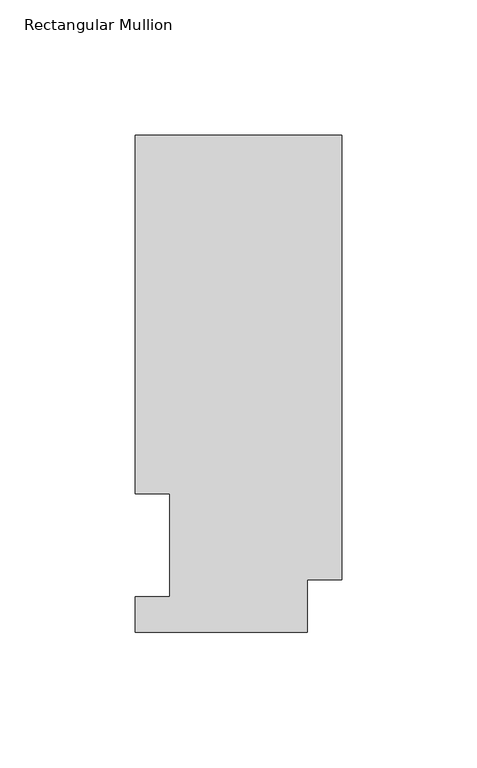
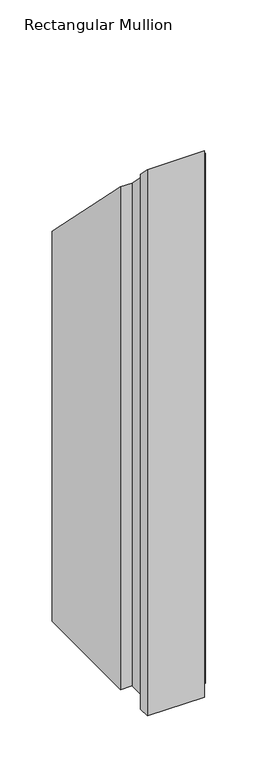
"""IFC4 building model written with IfcOpenShell, lengths in millimetres: member geometry, Rectangular Mullion."""

from ifc_helpers import new_model, si_unit, origin, place, context, project, spatial, faceted_brep, source, transform, mapped, element, save


def rectangular_mullion_c23bdae8(model_context):
    return source(origin(), model_context, "Body", "Brep", [
        faceted_brep([(-76.2000004, 183.6764448, -641.3500001), (0.0, 183.6764448, -641.3500001), (0.0, 19.5670448, -641.3500001), (-12.7, 19.5670448, -641.3500001), (-12.7, 0.0344448, -641.3500001), (-76.2, 0.0344446, -641.3500001), (-76.2, 13.2170446, -641.3500001), (-63.5127001, 13.2170446, -641.3500001), (-63.5127002, 51.2960938, -641.3500001), (-76.2000004, 51.2960938, -641.3500001), (-76.2000004, 51.2960938, -51.2960938), (-76.2000004, 183.6764448, -183.6764448), (-63.5127002, 51.2960938, -51.2960938), (-63.5127001, 13.2170446, -13.2170446), (-76.2, 13.2170446, -13.2170446), (-76.2, 0.0344446, -0.0344446), (-12.7, 0.0344448, -0.0344448), (-12.7, 19.5670448, -19.5670448), (0.0, 19.5670448, -19.5670448), (0.0, 183.6764448, -183.6764448)], [[[0, 1, 2, 3, 4, 5, 6, 7, 8, 9]], [[10, 11, 0, 9]], [[12, 10, 9, 8]], [[13, 12, 8, 7]], [[14, 13, 7, 6]], [[15, 14, 6, 5]], [[16, 15, 5, 4]], [[17, 16, 4, 3]], [[18, 17, 3, 2]], [[19, 18, 2, 1]], [[11, 19, 1, 0]], [[11, 10, 12, 13, 14, 15, 16, 17, 18, 19]]]),
    ])


if __name__ == "__main__":
    model = new_model("IFC4")
    model_context = context("Model", 3, world=origin())
    ifc_project = project(units=[si_unit("LENGTHUNIT", "METRE", prefix="MILLI")], contexts=[model_context])
    site = spatial("IfcSite", under=ifc_project)
    building = spatial("IfcBuilding", under=site)
    placement = place(None, origin())
    rectangular_mullion_shape = rectangular_mullion_c23bdae8(model_context)
    element("IfcMember", 1, ObjectType="Rectangular Mullion", at=placement, inside=building, context=model_context, shape_type="MappedRepresentation", body=[
        mapped(rectangular_mullion_shape, transform((0.0, 0.0, 0.0), x_axis=(1.0, 0.0, 0.0), y_axis=(0.0, 1.0, 0.0), z_axis=(0.0, 0.0, 1.0))),
    ])
    save(model, "model.ifc")
